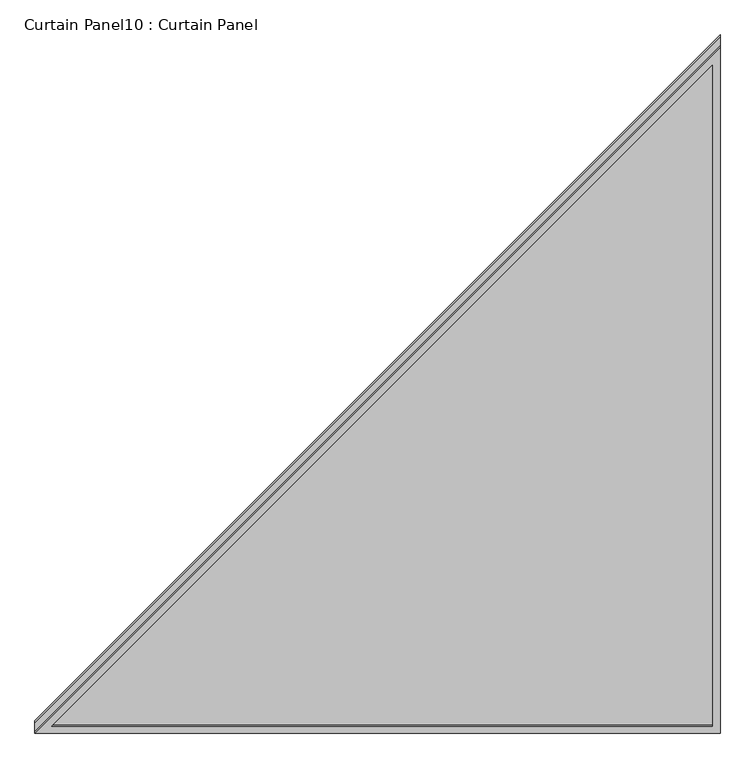
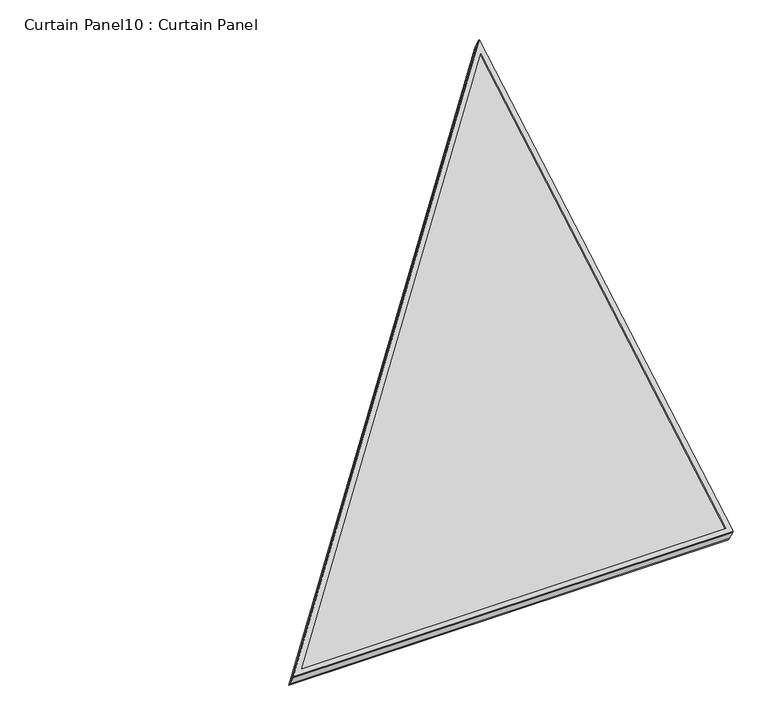
"""IFC4 building model written with IfcOpenShell, lengths in millimetres: plate geometry, Curtain Panel10 : Curtain Panel."""

from ifc_helpers import new_model, si_unit, frame, origin, place, context, project, spatial, polyline, outline, extrude, source, transform, mapped, element, save


def curtain_panel10_curtain_panel_7fb952fb(model_context):
    return source(origin(), model_context, "Body", "SweptSolid", [
        extrude(outline(polyline([(1305.9200807, -12.7), (-12.7000001, -12.7), (-12.7000001, 1129.2584879), (1305.9200807, -12.7)]), holes=[polyline([(1271.8558134, 0.0), (0.0, 1101.4594444), (0.0, 0.0), (1271.8558134, 0.0)])]), frame((-10798.1692107, 4893.572855, 1.6645812), z_axis=(0.0, -0.5000000000000019, 0.8660254037844376), x_axis=(0.0, 0.8660254037844376, 0.5000000000000019)), (0.0, 0.0, 1.0), 4.8005519),
        extrude(outline(polyline([(1305.9200807, -12.7), (-12.7, -12.7), (-12.7, 1129.2584879), (1305.9200807, -12.7)]), holes=[polyline([(1271.8558134, 0.0), (0.0, 1101.4594444), (0.0, 0.0), (1271.8558134, 0.0)])]), frame((-10798.1692107, 4912.000579, -30.2531731), z_axis=(0.0, -0.5000000000000021, 0.8660254037844375), x_axis=(0.0, 0.8660254037844375, 0.5000000000000021)), (0.0, 0.0, 1.0), 6.6929481),
        extrude(outline(polyline([(12.7, 0.0), (1154.6584879, 0.0), (12.7, -1318.6200807), (12.7, 0.0)])), frame((-10772.7692107, 4897.6555823, -30.80691), z_axis=(0.0, -0.5000000000000002, 0.8660254037844386), x_axis=(-1.0, 0.0, 0.0)), (0.0, 0.0, 1.0), 30.1625),
    ])


if __name__ == "__main__":
    model = new_model("IFC4")
    model_context = context("Model", 3, world=origin())
    ifc_project = project(units=[si_unit("LENGTHUNIT", "METRE", prefix="MILLI")], contexts=[model_context])
    site = spatial("IfcSite", under=ifc_project)
    building = spatial("IfcBuilding", under=site)
    placement = place(None, origin())
    curtain_panel10_curtain_panel_shape = curtain_panel10_curtain_panel_7fb952fb(model_context)
    element("IfcPlate", 1, ObjectType="Curtain Panel10 : Curtain Panel", at=placement, inside=building, context=model_context, shape_type="MappedRepresentation", body=[
        mapped(curtain_panel10_curtain_panel_shape, transform((0.0, 0.0, 0.0), x_axis=(1.0, 0.0, 0.0), y_axis=(0.0, 1.0, 0.0), z_axis=(0.0, 0.0, 1.0))),
    ])
    save(model, "model.ifc")
